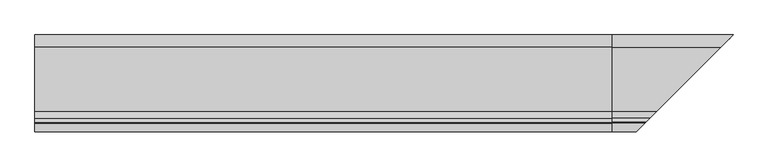
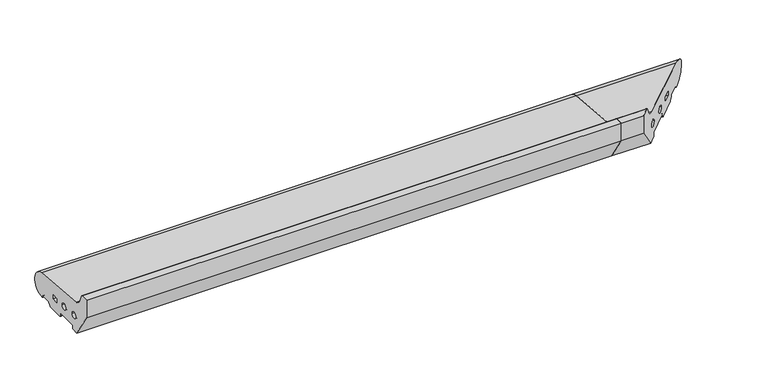
"""IFC4 building model written with IfcOpenShell, lengths in millimetres: proxy geometry."""

from ifc_helpers import new_model, si_unit, point, frame, frame_2d, origin, place, context, project, spatial, polyline, circle_curve, ellipse_curve, trimmed, segment, composite_curve, outline, extrude, source, transform, mapped, element, save
from ifc_brep_helpers import plane_surface, cylinder_surface, revolved_surface, advanced_brep


def generic_models_b0662f68(model_context):
    return source(origin(), model_context, "Body", "SolidModel", [
        advanced_brep(
        [(1015.0, 28.0858073, 50.4091909), (1015.0, 26.5981483, 2.5074549), (1015.0, 25.7072001, 3.0071443), (1015.0, 23.6905989, 6.5), (1015.0, 21.9585481, 7.5), (1015.0, 5.4848276, 7.5), (1015.0, 3.7527767, 6.5), (1015.0, 0.2886751, 0.5), (1015.0, -0.5773503, 0.0), (1015.0, -32.0, 0.0), (1015.0, -33.0, 1.0), (1015.0, -33.0, 5.5), (1015.0, -35.0, 7.5), (1015.0, -73.0, 7.5), (1015.0, -75.0, 5.5), (1015.0, -75.0, 1.0), (1015.0, -76.0, 0.0), (1015.0, -88.0, 0.0), (1015.0, -120.0, 50.0), (1015.0, -120.0, 85.0), (1015.0, -105.2988152, 85.0), (1015.0, -103.4717243, 83.8134733), (1015.0, -96.6696696, 68.5358083), (1015.0, -85.0967541, 60.2830933), (1015.0, -9.5, 28.9289), (1015.0, -21.5, 28.9289), (1015.0, -21.5, 20.9289), (1015.0, -9.5, 20.9289), (1015.0, -51.5, 27.333), (1015.0, -39.5, 27.333), (1015.0, -84.0, 30.0), (1015.0, -72.0, 30.0), (1205.0858073, 28.0858073, 50.4091909), (1227.0, 50.0, 26.5), (1203.5981483, 26.5981483, 2.5074549), (1202.7072001, 25.7072001, 3.0071443), (1200.6905989, 23.6905989, 6.5), (1198.9585481, 21.9585481, 7.5), (1182.4848276, 5.4848276, 7.5), (1180.7527767, 3.7527767, 6.5), (1177.2886751, 0.2886751, 0.5), (1176.4226497, -0.5773503, 0.0), (1145.0, -32.0, 0.0), (1144.0, -33.0, 1.0), (1144.0, -33.0, 5.5), (1142.0, -35.0, 7.5), (1104.0, -73.0, 7.5), (1102.0, -75.0, 5.5), (1102.0, -75.0, 1.0), (1101.0, -76.0, 0.0), (1089.0, -88.0, 0.0), (1057.0, -120.0, 50.0), (1057.0, -120.0, 85.0), (1071.7011848, -105.2988152, 85.0), (1073.5282757, -103.4717243, 83.8134733), (1080.3303304, -96.6696696, 68.5358083), (1091.9032459, -85.0967541, 60.2830933), (1167.5, -9.5, 28.9289), (1155.5, -21.5, 28.9289), (1155.5, -21.5, 20.9289), (1167.5, -9.5, 20.9289), (1125.5, -51.5, 27.333), (1137.5, -39.5, 27.333), (1093.0, -84.0, 30.0), (1105.0, -72.0, 30.0)],
        [
            (0, 1, circle_curve(frame((1015.0, 26.0, 26.5), z_axis=(-1.0, 0.0, 0.0), x_axis=(0.0, 1.0, 0.0)), 24.0)),
            (1, 2, circle_curve(frame((1015.0, 26.5732255, 3.5071443), z_axis=(-1.0, 0.0, 0.0), x_axis=(0.0, 1.0, 0.0)), 1.0)),
            (2, 3),
            (3, 4, circle_curve(frame((1015.0, 21.9585481, 5.5), z_axis=(1.0, 0.0, 0.0), x_axis=(0.0, 1.0, 0.0)), 2.0)),
            (4, 5),
            (5, 6, circle_curve(frame((1015.0, 5.4848276, 5.5), z_axis=(1.0, 0.0, 0.0), x_axis=(0.0, 1.0, 0.0)), 2.0)),
            (6, 7),
            (7, 8, circle_curve(frame((1015.0, -0.5773503, 1.0), z_axis=(-1.0, 0.0, 0.0), x_axis=(0.0, 1.0, 0.0)), 1.0)),
            (8, 9),
            (9, 10, circle_curve(frame((1015.0, -32.0, 1.0), z_axis=(-1.0, 0.0, 0.0), x_axis=(0.0, 1.0, 0.0)), 1.0)),
            (10, 11),
            (11, 12, circle_curve(frame((1015.0, -35.0, 5.5), z_axis=(1.0, 0.0, 0.0), x_axis=(0.0, 1.0, 0.0)), 2.0)),
            (12, 13),
            (13, 14, circle_curve(frame((1015.0, -73.0, 5.5), z_axis=(1.0, 0.0, 0.0), x_axis=(0.0, 1.0, 0.0)), 2.0)),
            (14, 15),
            (15, 16, circle_curve(frame((1015.0, -76.0, 1.0), z_axis=(-1.0, 0.0, 0.0), x_axis=(0.0, 1.0, 0.0)), 1.0)),
            (16, 17),
            (17, 18),
            (18, 19),
            (19, 20),
            (20, 21, circle_curve(frame((1015.0, -105.2988152, 83.0), z_axis=(-1.0, 0.0, 0.0), x_axis=(0.0, 1.0, 0.0)), 2.0)),
            (21, 22),
            (22, 23, circle_curve(frame((1015.0, -83.8800332, 74.2301213), z_axis=(1.0, 0.0, 0.0), x_axis=(0.0, 1.0, 0.0)), 14.0)),
            (23, 0),
            (24, 25),
            (25, 26),
            (26, 27),
            (27, 24),
            (28, 29, circle_curve(frame((1015.0, -45.5, 27.333), z_axis=(1.0, 0.0, 0.0), x_axis=(0.0, 1.0, 0.0)), 6.0)),
            (29, 28, circle_curve(frame((1015.0, -45.5, 27.333), z_axis=(1.0, 0.0, 0.0), x_axis=(0.0, 1.0, 0.0)), 6.0)),
            (30, 31, circle_curve(frame((1015.0, -78.0, 30.0), z_axis=(1.0, 0.0, 0.0), x_axis=(0.0, 1.0, 0.0)), 6.0)),
            (31, 30, circle_curve(frame((1015.0, -78.0, 30.0), z_axis=(1.0, 0.0, 0.0), x_axis=(0.0, 1.0, 0.0)), 6.0)),
            (0, 32),
            (32, 33, ellipse_curve(frame((1203.0, 26.0, 26.5), z_axis=(-0.7071067811865481, 0.707106781186547, 0.0), x_axis=(0.7071067811865468, 0.7071067811865481, 0.0)), 33.9411255, 24.0)),
            (33, 34, ellipse_curve(frame((1203.0, 26.0, 26.5), z_axis=(-0.7071067811865481, 0.707106781186547, 0.0), x_axis=(0.7071067811865468, 0.7071067811865481, 0.0)), 33.9411255, 24.0)),
            (34, 1),
            (34, 35, ellipse_curve(frame((1203.5732255, 26.5732255, 3.5071443), z_axis=(-0.7071067811865481, 0.707106781186547, 0.0), x_axis=(0.7071067811865468, 0.7071067811865481, 0.0)), 1.4142136, 1.0)),
            (35, 2),
            (35, 36),
            (36, 3),
            (36, 37, ellipse_curve(frame((1198.9585481, 21.9585481, 5.5), z_axis=(0.7071067811865481, -0.707106781186547, 0.0), x_axis=(-0.7071067811865468, -0.7071067811865481, 0.0)), 2.8284271, 2.0)),
            (37, 4),
            (37, 38),
            (38, 5),
            (38, 39, ellipse_curve(frame((1182.4848276, 5.4848276, 5.5), z_axis=(0.7071067811865481, -0.707106781186547, 0.0), x_axis=(-0.7071067811865468, -0.7071067811865481, 0.0)), 2.8284271, 2.0)),
            (39, 6),
            (39, 40),
            (40, 7),
            (40, 41, ellipse_curve(frame((1176.4226497, -0.5773503, 1.0), z_axis=(-0.7071067811865481, 0.707106781186547, 0.0), x_axis=(0.7071067811865468, 0.7071067811865481, 0.0)), 1.4142136, 1.0)),
            (41, 8),
            (41, 42),
            (42, 9),
            (42, 43, ellipse_curve(frame((1145.0, -32.0, 1.0), z_axis=(-0.7071067811865481, 0.707106781186547, 0.0), x_axis=(0.7071067811865468, 0.7071067811865481, 0.0)), 1.4142136, 1.0)),
            (43, 10),
            (43, 44),
            (44, 11),
            (44, 45, ellipse_curve(frame((1142.0, -35.0, 5.5), z_axis=(0.7071067811865481, -0.707106781186547, 0.0), x_axis=(-0.7071067811865468, -0.7071067811865481, 0.0)), 2.8284271, 2.0)),
            (45, 12),
            (45, 46),
            (46, 13),
            (46, 47, ellipse_curve(frame((1104.0, -73.0, 5.5), z_axis=(0.7071067811865481, -0.707106781186547, 0.0), x_axis=(-0.7071067811865468, -0.7071067811865481, 0.0)), 2.8284271, 2.0)),
            (47, 14),
            (47, 48),
            (48, 15),
            (48, 49, ellipse_curve(frame((1101.0, -76.0, 1.0), z_axis=(-0.7071067811865481, 0.707106781186547, 0.0), x_axis=(0.7071067811865468, 0.7071067811865481, 0.0)), 1.4142136, 1.0)),
            (49, 16),
            (49, 50),
            (50, 17),
            (50, 51),
            (51, 18),
            (19, 52),
            (52, 53),
            (53, 20),
            (53, 54, ellipse_curve(frame((1071.7011848, -105.2988152, 83.0), z_axis=(-0.7071067811865481, 0.707106781186547, 0.0), x_axis=(0.7071067811865468, 0.7071067811865481, 0.0)), 2.8284271, 2.0)),
            (54, 21),
            (54, 55),
            (55, 22),
            (55, 56, ellipse_curve(frame((1093.1199668, -83.8800332, 74.2301213), z_axis=(0.7071067811865481, -0.707106781186547, 0.0), x_axis=(-0.7071067811865468, -0.7071067811865481, 0.0)), 19.7989899, 14.0)),
            (56, 23),
            (56, 32),
            (24, 57),
            (57, 58),
            (58, 25),
            (58, 59),
            (59, 26),
            (59, 60),
            (60, 27),
            (60, 57),
            (28, 61),
            (61, 62, ellipse_curve(frame((1131.5, -45.5, 27.333), z_axis=(0.7071067811865481, -0.707106781186547, 0.0), x_axis=(-0.7071067811865468, -0.7071067811865481, 0.0)), 8.4852814, 6.0)),
            (62, 29),
            (62, 61, ellipse_curve(frame((1131.5, -45.5, 27.333), z_axis=(0.7071067811865481, -0.707106781186547, 0.0), x_axis=(-0.7071067811865468, -0.7071067811865481, 0.0)), 8.4852814, 6.0)),
            (30, 63),
            (63, 64, ellipse_curve(frame((1099.0, -78.0, 30.0), z_axis=(0.7071067811865481, -0.707106781186547, 0.0), x_axis=(-0.7071067811865468, -0.7071067811865481, 0.0)), 8.4852814, 6.0)),
            (64, 31),
            (64, 63, ellipse_curve(frame((1099.0, -78.0, 30.0), z_axis=(0.7071067811865481, -0.707106781186547, 0.0), x_axis=(-0.7071067811865468, -0.7071067811865481, 0.0)), 8.4852814, 6.0)),
            (52, 51),
        ],
        [
            plane_surface(frame((1015.0, 0.0, 0.0), z_axis=(-1.0, 0.0, 0.0), x_axis=(0.0, 0.0, 1.0))),
            cylinder_surface(frame((1227.0, 26.0, 26.5), z_axis=(1.0, 0.0, 0.0), x_axis=(0.0, 1.0, 0.0)), 24.0),
            cylinder_surface(frame((1227.0, 26.5732255, 3.5071443), z_axis=(1.0, 0.0, 0.0), x_axis=(0.0, 1.0, 0.0)), 1.0),
            plane_surface(frame((1227.0, 23.6905989, 6.5), z_axis=(0.0, -0.8660254037844404, -0.4999999999999971), x_axis=(-1.0, 0.0, 0.0))),
            revolved_surface(polyline([(1015.0, 23.9585481, 5.5), (1200.9585480825017, 23.9585481, 5.5)]), (1227.0, 21.9585481, 5.5), (-1.0, 0.0, 0.0)),
            plane_surface(frame((1227.0, 5.4848276, 7.5), z_axis=(0.0, 0.0, -1.0), x_axis=(-1.0, 0.0, 0.0))),
            revolved_surface(polyline([(1015.0, 7.4848276, 5.5), (1184.4848275825018, 7.4848276, 5.5)]), (1227.0, 5.4848276, 5.5), (-1.0, 0.0, 0.0)),
            plane_surface(frame((1227.0, 0.2886751, 0.5), z_axis=(0.0, 0.8660254037844436, -0.4999999999999914), x_axis=(-1.0, 0.0, 0.0))),
            cylinder_surface(frame((1227.0, -0.5773503, 1.0), z_axis=(1.0, 0.0, 0.0), x_axis=(0.0, 1.0, 0.0)), 1.0),
            plane_surface(frame((1227.0, -32.0, 0.0), z_axis=(0.0, 0.0, -1.0), x_axis=(-1.0, 0.0, 0.0))),
            cylinder_surface(frame((1227.0, -32.0, 1.0), z_axis=(1.0, 0.0, 0.0), x_axis=(0.0, 1.0, 0.0)), 1.0),
            plane_surface(frame((1227.0, -33.0, 5.5), z_axis=(0.0, -1.0, 0.0), x_axis=(-1.0, 0.0, 0.0))),
            revolved_surface(polyline([(1015.0, -33.0, 5.5), (1144.0, -33.0, 5.5)]), (1227.0, -35.0, 5.5), (-1.0, 0.0, 0.0)),
            plane_surface(frame((1227.0, -73.0, 7.5), z_axis=(0.0, 0.0, -1.0), x_axis=(-1.0, 0.0, 0.0))),
            revolved_surface(polyline([(1015.0, -71.0, 5.5), (1105.9999999825018, -71.0, 5.5)]), (1227.0, -73.0, 5.5), (-1.0, 0.0, 0.0)),
            plane_surface(frame((1227.0, -75.0, 1.0), z_axis=(0.0, 1.0, 0.0), x_axis=(-1.0, 0.0, 0.0))),
            cylinder_surface(frame((1227.0, -76.0, 1.0), z_axis=(1.0, 0.0, 0.0), x_axis=(0.0, 1.0, 0.0)), 1.0),
            plane_surface(frame((1227.0, -88.0, 0.0), z_axis=(0.0, 0.0, -1.0), x_axis=(-1.0, 0.0, 0.0))),
            plane_surface(frame((1227.0, -120.0, 50.0), z_axis=(0.0, -0.8422714006615114, -0.5390536964233673), x_axis=(-1.0, 0.0, 0.0))),
            plane_surface(frame((1227.0, -105.2988152, 85.0), z_axis=(0.0, 0.0, 1.0), x_axis=(-1.0, 0.0, 0.0))),
            cylinder_surface(frame((1227.0, -105.2988152, 83.0), z_axis=(1.0, 0.0, 0.0), x_axis=(0.0, 1.0, 0.0)), 2.0),
            plane_surface(frame((1227.0, -96.6696696, 68.5358083), z_axis=(0.0, 0.9135454576426015, 0.406736643075799), x_axis=(-1.0, 0.0, 0.0))),
            revolved_surface(polyline([(1015.0, -69.8800332, 74.2301213), (1107.1199668189338, -69.8800332, 74.2301213)]), (1227.0, -83.8800332, 74.2301213), (-1.0, 0.0, 0.0)),
            plane_surface(frame((1227.0, 28.0858073, 50.4091909), z_axis=(0.0, 0.08690863944627715, 0.9962162859487879), x_axis=(-1.0, 0.0, 0.0))),
            plane_surface(frame((1227.0, -21.5, 28.9289), z_axis=(0.0, 0.0, -1.0), x_axis=(-1.0, 0.0, 0.0))),
            plane_surface(frame((1227.0, -21.5, 20.9289), z_axis=(0.0, 1.0, 0.0), x_axis=(-1.0, 0.0, 0.0))),
            plane_surface(frame((1227.0, -9.5, 20.9289), z_axis=(0.0, 0.0, 1.0), x_axis=(-1.0, 0.0, 0.0))),
            plane_surface(frame((1227.0, -9.5, 28.9289), z_axis=(0.0, -1.0, 0.0), x_axis=(-1.0, 0.0, 0.0))),
            revolved_surface(polyline([(1015.0, -39.5, 27.333), (1137.500000018216, -39.5, 27.333)]), (1227.0, -45.5, 27.333), (-1.0, 0.0, 0.0)),
            revolved_surface(polyline([(1015.0, -72.0, 30.0), (1105.000000018216, -72.0, 30.0)]), (1227.0, -78.0, 30.0), (-1.0, 0.0, 0.0)),
            plane_surface(frame((1142.0, -35.0, 0.0), z_axis=(0.7071067811865481, -0.707106781186547, 0.0), x_axis=(0.0, 0.0, 1.0))),
            plane_surface(frame((1227.0, -120.0, 85.0), z_axis=(0.0, -1.0, 0.0), x_axis=(-1.0, 0.0, 0.0))),
        ],
        [
            (0, [[1, 2, 3, 4, 5, 6, 7, 8, 9, 10, 11, 12, 13, 14, 15, 16, 17, 18, 19, 20, 21, 22, 23, 24], [25, 26, 27, 28], [29, 30], [31, 32]]),
            (1, [[-1, 33, 34, 35, 36]]),
            (2, [[-2, -36, 37, 38]]),
            (3, [[-3, -38, 39, 40]]),
            (4, [[-4, -40, 41, 42]]),
            (5, [[-5, -42, 43, 44]]),
            (6, [[-6, -44, 45, 46]]),
            (7, [[-7, -46, 47, 48]]),
            (8, [[-8, -48, 49, 50]]),
            (9, [[-9, -50, 51, 52]]),
            (10, [[-10, -52, 53, 54]]),
            (11, [[-11, -54, 55, 56]]),
            (12, [[-12, -56, 57, 58]]),
            (13, [[-13, -58, 59, 60]]),
            (14, [[-14, -60, 61, 62]]),
            (15, [[-15, -62, 63, 64]]),
            (16, [[-16, -64, 65, 66]]),
            (17, [[-17, -66, 67, 68]]),
            (18, [[-18, -68, 69, 70]]),
            (19, [[-20, 71, 72, 73]]),
            (20, [[-21, -73, 74, 75]]),
            (21, [[-22, -75, 76, 77]]),
            (22, [[-23, -77, 78, 79]]),
            (23, [[-24, -79, 80, -33]]),
            (24, [[-25, 81, 82, 83]]),
            (25, [[-26, -83, 84, 85]]),
            (26, [[-27, -85, 86, 87]]),
            (27, [[-28, -87, 88, -81]]),
            (28, [[-29, 89, 90, 91]]),
            (28, [[-30, -91, 92, -89]]),
            (29, [[-31, 93, 94, 95]]),
            (29, [[-32, -95, 96, -93]]),
            (30, [[-35, -34, -80, -78, -76, -74, -72, 97, -69, -67, -65, -63, -61, -59, -57, -55, -53, -51, -49, -47, -45, -43, -41, -39, -37], [-82, -88, -86, -84], [-90, -92], [-94, -96]]),
            (31, [[-19, -70, -97, -71]]),
        ],
    ),
        extrude(outline(composite_curve([segment(trimmed(circle_curve(frame_2d((26.0, 26.5)), 24.0), [point((28.0858073, 50.4091909))], [point((26.5981483, 2.5074549))], False, "CARTESIAN"), True, "CONTINUOUS"), segment(trimmed(circle_curve(frame_2d((26.5732255, 3.5071443)), 1.0), [point((26.5981483, 2.5074549))], [point((25.7072001, 3.0071443))], False, "CARTESIAN"), True, "CONTINUOUS"), segment(polyline([(25.7072001, 3.0071443), (23.6905989, 6.5)]), True, "CONTINUOUS"), segment(trimmed(circle_curve(frame_2d((21.9585481, 5.5)), 2.0), [point((23.6905989, 6.5))], [point((21.9585481, 7.5))], True, "CARTESIAN"), True, "CONTINUOUS"), segment(polyline([(21.9585481, 7.5), (5.4848276, 7.5)]), True, "CONTINUOUS"), segment(trimmed(circle_curve(frame_2d((5.4848276, 5.5)), 2.0), [point((5.4848276, 7.5))], [point((3.7527767, 6.5))], True, "CARTESIAN"), True, "CONTINUOUS"), segment(polyline([(3.7527767, 6.5), (0.2886751, 0.5)]), True, "CONTINUOUS"), segment(trimmed(circle_curve(frame_2d((-0.5773503, 1.0)), 1.0), [point((0.2886751, 0.5))], [point((-0.5773503, 0.0))], False, "CARTESIAN"), True, "CONTINUOUS"), segment(polyline([(-0.5773503, 0.0), (-32.0, 0.0)]), True, "CONTINUOUS"), segment(trimmed(circle_curve(frame_2d((-32.0, 1.0)), 1.0), [point((-32.0, 0.0))], [point((-33.0, 1.0))], False, "CARTESIAN"), True, "CONTINUOUS"), segment(polyline([(-33.0, 1.0), (-33.0, 5.5)]), True, "CONTINUOUS"), segment(trimmed(circle_curve(frame_2d((-35.0, 5.5)), 2.0), [point((-33.0, 5.5))], [point((-35.0, 7.5))], True, "CARTESIAN"), True, "CONTINUOUS"), segment(polyline([(-35.0, 7.5), (-73.0, 7.5)]), True, "CONTINUOUS"), segment(trimmed(circle_curve(frame_2d((-73.0, 5.5)), 2.0), [point((-73.0, 7.5))], [point((-75.0, 5.5))], True, "CARTESIAN"), True, "CONTINUOUS"), segment(polyline([(-75.0, 5.5), (-75.0, 1.0)]), True, "CONTINUOUS"), segment(trimmed(circle_curve(frame_2d((-76.0, 1.0)), 1.0), [point((-75.0, 1.0))], [point((-76.0, 0.0))], False, "CARTESIAN"), True, "CONTINUOUS"), segment(polyline([(-76.0, 0.0), (-88.0, 0.0), (-120.0, 50.0), (-120.0, 85.0), (-105.2988152, 85.0)]), True, "CONTINUOUS"), segment(trimmed(circle_curve(frame_2d((-105.2988152, 83.0)), 2.0), [point((-105.2988152, 85.0))], [point((-103.4717243, 83.8134733))], False, "CARTESIAN"), True, "CONTINUOUS"), segment(polyline([(-103.4717243, 83.8134733), (-96.6696696, 68.5358083)]), True, "CONTINUOUS"), segment(trimmed(circle_curve(frame_2d((-83.8800332, 74.2301213)), 14.0), [point((-96.6696696, 68.5358083))], [point((-85.0967541, 60.2830933))], True, "CARTESIAN"), True, "CONTINUOUS"), segment(polyline([(-85.0967541, 60.2830933), (28.0858073, 50.4091909)]), True, "CONTINUOUS")], self_intersect=False), holes=[polyline([(-9.5, 28.9289), (-21.5, 28.9289), (-21.5, 20.9289), (-9.5, 20.9289), (-9.5, 28.9289)]), composite_curve([segment(trimmed(circle_curve(frame_2d((-45.5, 27.333)), 6.0), [point((-51.5, 27.333))], [point((-39.5, 27.333))], True, "CARTESIAN"), True, "CONTINUOUS"), segment(trimmed(circle_curve(frame_2d((-45.5, 27.333)), 6.0), [point((-39.5, 27.333))], [point((-51.5, 27.333))], True, "CARTESIAN"), True, "CONTINUOUS")], self_intersect=False), composite_curve([segment(trimmed(circle_curve(frame_2d((-78.0, 30.0)), 6.0), [point((-84.0, 30.0))], [point((-72.0, 30.0))], True, "CARTESIAN"), True, "CONTINUOUS"), segment(trimmed(circle_curve(frame_2d((-78.0, 30.0)), 6.0), [point((-72.0, 30.0))], [point((-84.0, 30.0))], True, "CARTESIAN"), True, "CONTINUOUS")], self_intersect=False)]), frame((0.0, 0.0, 0.0), z_axis=(1.0, 0.0, 0.0), x_axis=(0.0, 1.0, 0.0)), (0.0, 0.0, 1.0), 1015.0),
    ])


if __name__ == "__main__":
    model = new_model("IFC4")
    model_context = context("Model", 3, world=origin())
    ifc_project = project(units=[si_unit("LENGTHUNIT", "METRE", prefix="MILLI")], contexts=[model_context])
    site = spatial("IfcSite", under=ifc_project)
    building = spatial("IfcBuilding", under=site)
    placement = place(None, origin())
    generic_models_shape = generic_models_b0662f68(model_context)
    element("IfcBuildingElementProxy", 1, Name="Generic Models", at=placement, inside=building, context=model_context, shape_type="MappedRepresentation", body=[
        mapped(generic_models_shape, transform((0.0, 0.0, 0.0), x_axis=(1.0, 0.0, 0.0), y_axis=(0.0, 1.0, 0.0), z_axis=(0.0, 0.0, 1.0))),
    ])
    save(model, "model.ifc")
